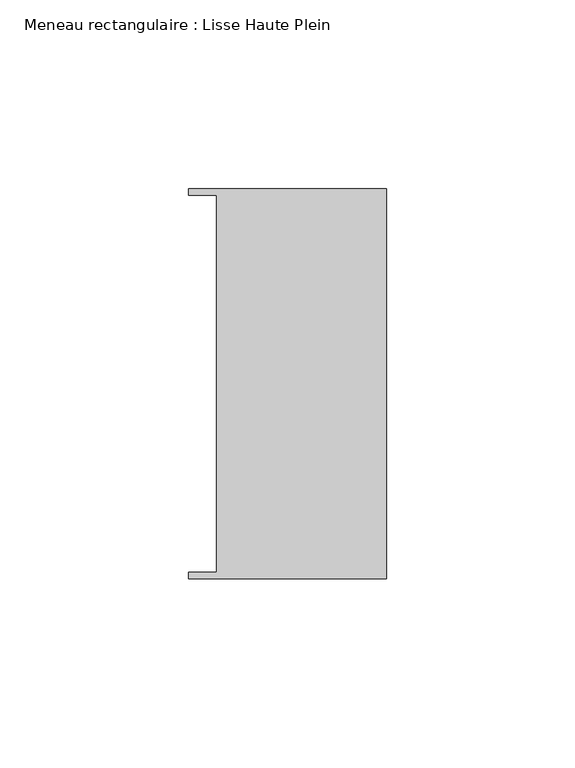
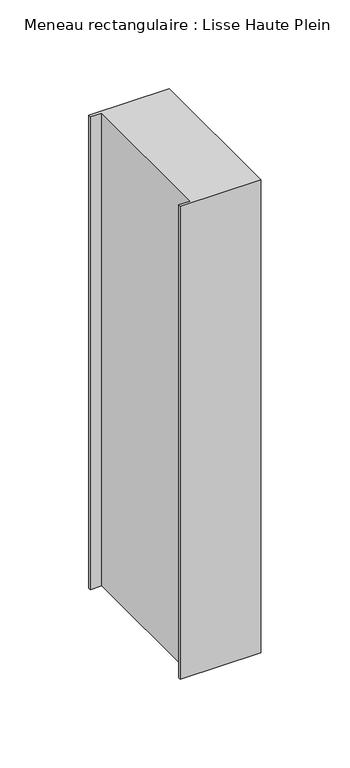
"""IFC4 building model written with IfcOpenShell, lengths in millimetres: member geometry, Meneau rectangulaire : Lisse Haute Plein."""

import ifcopenshell
import ifcopenshell.guid

model = None  # the IFC model being written
_history = None  # IfcOwnerHistory: only IFC2X3 demands one
_inside = {}  # id of a spatial element -> (the spatial element, [elements in it])
_under = {}  # id of a project, library or spatial element -> (it, [spatial elements below it])
_declared = {}  # id of a project -> (the project, [libraries it declares])
_typed = {}  # id of a type object -> (the type object, [elements of that type])
_made_of = {}  # id of a material, layer set ... -> (it, [elements and type objects made of it])


def new_model(schema):
    """Start an empty IFC model of exactly this schema.

    Asked for "IFC4X3", IfcOpenShell would pick the latest addendum, in which some entities
    have other attributes; the version numbers below select the first issue.
    IFC2X3 requires an IfcOwnerHistory on every rooted entity: one is made here for all.
    """
    global model, _history
    if schema == "IFC4X3":
        model = ifcopenshell.file(schema_version=(4, 3, 0, 0))
    else:
        model = ifcopenshell.file(schema=schema)
    _inside.clear()
    _under.clear()
    _declared.clear()
    _typed.clear()
    _made_of.clear()
    _history = None
    if model.schema == "IFC2X3":
        org = make("IfcOrganization", Name="unknown")
        user = make(
            "IfcPersonAndOrganization",
            ThePerson=make("IfcPerson", FamilyName="unknown"),
            TheOrganization=org,
        )
        app = make(
            "IfcApplication",
            ApplicationDeveloper=org,
            Version="unknown",
            ApplicationFullName="unknown",
            ApplicationIdentifier="unknown",
        )
        _history = make(
            "IfcOwnerHistory",
            OwningUser=user,
            OwningApplication=app,
            ChangeAction="ADDED",
            CreationDate=0,
        )
    return model


def make(cls, **values):
    """One entity of the class cls with the attributes given. An attribute that is None is left unset."""
    return model.create_entity(
        cls, **{name: value for name, value in values.items() if value is not None}
    )


def rooted(cls, **values):
    """An entity with a GlobalId (a new one), such as an element, a storey or a relation."""
    return make(cls, GlobalId=ifcopenshell.guid.new(), OwnerHistory=_history, **values)


def si_unit(unit_type, name, prefix=None):
    """IfcSIUnit, for example si_unit("LENGTHUNIT", "METRE", prefix="MILLI")."""
    return make("IfcSIUnit", UnitType=unit_type, Prefix=prefix, Name=name)


def assignment(units):
    """IfcUnitAssignment: the units of a project."""
    return None if units is None else make("IfcUnitAssignment", Units=units)


def point(xyz):
    """IfcCartesianPoint."""
    return None if xyz is None else make("IfcCartesianPoint", Coordinates=xyz)


def direction(xyz):
    """IfcDirection."""
    return None if xyz is None else make("IfcDirection", DirectionRatios=xyz)


def frame(location, z_axis=None, x_axis=None):
    """IfcAxis2Placement3D, a coordinate frame: its origin and axes. An axis left out is left unset."""
    return make(
        "IfcAxis2Placement3D",
        Location=point(location),
        Axis=direction(z_axis),
        RefDirection=direction(x_axis),
    )


def origin():
    """The frame at (0, 0, 0) with its axes left unset."""
    return frame((0.0, 0.0, 0.0))


def place(relative_to, where):
    """IfcLocalPlacement: puts the frame where relative to a parent placement (None: the world)."""
    return make(
        "IfcLocalPlacement", PlacementRelTo=relative_to, RelativePlacement=where
    )


def context(
    kind, dimensions, precision=None, world=None, true_north=None, identifier=None
):
    """IfcGeometricRepresentationContext, for example the 3D "Model" context."""
    return make(
        "IfcGeometricRepresentationContext",
        ContextIdentifier=identifier,
        ContextType=kind,
        CoordinateSpaceDimension=dimensions,
        Precision=precision,
        WorldCoordinateSystem=world,
        TrueNorth=true_north,
    )


def project(units=None, contexts=None):
    """IfcProject with its units and contexts."""
    return rooted(
        "IfcProject",
        Name="project",
        RepresentationContexts=contexts,
        UnitsInContext=assignment(units),
    )


def spatial(cls, under=None, at=None, **own):
    """A site, building, storey or space (cls), placed at a placement, below another one or the project."""
    s = rooted(cls, ObjectPlacement=at, **own)
    if under is not None:
        _under.setdefault(under.id(), (under, []))[1].append(s)
    return s


def polyline(points):
    """IfcPolyline through the points."""
    return make("IfcPolyline", Points=[point(p) for p in points])


def outline(outer, holes=None, kind="AREA"):
    """IfcArbitraryClosedProfileDef: a profile drawn as a closed curve; with holes, ...WithVoids."""
    if holes is None:
        return make("IfcArbitraryClosedProfileDef", ProfileType=kind, OuterCurve=outer)
    return make(
        "IfcArbitraryProfileDefWithVoids",
        ProfileType=kind,
        OuterCurve=outer,
        InnerCurves=holes,
    )


def extrude(swept, where, along, depth):
    """IfcExtrudedAreaSolid: the profile swept, set in the frame where, extruded along a direction by depth."""
    return make(
        "IfcExtrudedAreaSolid",
        SweptArea=swept,
        Position=where,
        ExtrudedDirection=direction(along),
        Depth=depth,
    )


def shape(context_of_items, identifier, shape_type, items):
    """IfcShapeRepresentation: the items that make up one representation, for example the "Body"."""
    return make(
        "IfcShapeRepresentation",
        ContextOfItems=context_of_items,
        RepresentationIdentifier=identifier,
        RepresentationType=shape_type,
        Items=items,
    )


def source(mapping_origin, context_of_items, identifier, shape_type, items):
    """IfcRepresentationMap: a shape defined once, which mapped items show again and again."""
    return make(
        "IfcRepresentationMap",
        MappingOrigin=mapping_origin,
        MappedRepresentation=shape(context_of_items, identifier, shape_type, items),
    )


def transform(
    local_origin,
    x_axis=None,
    y_axis=None,
    z_axis=None,
    scale=None,
    scale2=None,
    scale3=None,
    uniform=True,
):
    """IfcCartesianTransformationOperator3D, or its non-uniform kind. x_axis, y_axis, z_axis: its Axis1, 2, 3."""
    if uniform:
        return make(
            "IfcCartesianTransformationOperator3D",
            Axis1=direction(x_axis),
            Axis2=direction(y_axis),
            LocalOrigin=point(local_origin),
            Scale=scale,
            Axis3=direction(z_axis),
        )
    return make(
        "IfcCartesianTransformationOperator3DnonUniform",
        Axis1=direction(x_axis),
        Axis2=direction(y_axis),
        LocalOrigin=point(local_origin),
        Scale=scale,
        Axis3=direction(z_axis),
        Scale2=scale2,
        Scale3=scale3,
    )


def mapped(mapping_source, mapping_target):
    """IfcMappedItem: shows the shape of a source again, moved by a transform."""
    return make(
        "IfcMappedItem", MappingSource=mapping_source, MappingTarget=mapping_target
    )


def made_of(thing, what):
    """Note that an element or type object is made of a material, layer set ...; save() writes the relation."""
    if what is not None:
        _made_of.setdefault(what.id(), (what, []))[1].append(thing)
    return thing


def element(
    cls,
    number,
    at=None,
    inside=None,
    cuts=None,
    type_object=None,
    material=None,
    context=None,
    identifier="Body",
    shape_type=None,
    held_by="IfcProductDefinitionShape",
    body=None,
    shapes=None,
    **own,
):
    """One element of the class cls, such as IfcWall. Its Tag is "e" and its number.

    at: its placement. inside: the storey or other place that contains it. cuts: it is an
    opening in that element (IfcRelVoidsElement). A single representation is given by context,
    identifier, shape_type and body (its items); several are given by shapes. held_by: the class
    of the entity that holds the representations. save() writes the other relations.
    """
    e = rooted(cls, Tag="e%d" % number, ObjectPlacement=at, **own)
    if body is not None:
        shapes = [shape(context, identifier, shape_type, body)]
    if shapes is not None:
        e.Representation = make(held_by, Representations=shapes)
    if inside is not None:
        _inside.setdefault(inside.id(), (inside, []))[1].append(e)
    if cuts is not None:
        rooted(
            "IfcRelVoidsElement", RelatingBuildingElement=cuts, RelatedOpeningElement=e
        )
    if type_object is not None:
        _typed.setdefault(type_object.id(), (type_object, []))[1].append(e)
    return made_of(e, material)


def aggregate(whole, parts):
    """IfcRelAggregates: a whole, such as a stair, and the parts it consists of."""
    return rooted("IfcRelAggregates", RelatingObject=whole, RelatedObjects=parts)


def save(model, path):
    """Write the relations noted so far, then the file.

    IfcRelAggregates (storeys below a building ...), IfcRelContainedInSpatialStructure (elements
    in a storey), IfcRelDefinesByType, IfcRelAssociatesMaterial and IfcRelDeclares: one each for
    every whole, place, type object, material and project.
    """
    for whole, parts in _under.values():
        aggregate(whole, parts)
    for where, things in _inside.values():
        rooted(
            "IfcRelContainedInSpatialStructure",
            RelatedElements=things,
            RelatingStructure=where,
        )
    for kind, things in _typed.values():
        rooted("IfcRelDefinesByType", RelatedObjects=things, RelatingType=kind)
    for what, things in _made_of.values():
        rooted("IfcRelAssociatesMaterial", RelatedObjects=things, RelatingMaterial=what)
    for by, libraries in _declared.values():
        rooted("IfcRelDeclares", RelatingContext=by, RelatedDefinitions=libraries)
    model.write(path)


def meneau_rectangulaire_lisse_haute_plein_2f84c74d(model_context):
    return source(origin(), model_context, "Body", "SweptSolid", [
        extrude(outline(polyline([(-44.9064331, 49.9174073), (-52.3, 49.9174073), (-52.3, 51.585934), (0.0, 51.585934), (0.0, -51.6011428), (-52.3, -51.6011428), (-52.3, -49.9174073), (-44.9064331, -49.9174073), (-44.9064331, 49.9174073)])), frame((0.0, 0.0, -325.1355664), z_axis=(0.0, 0.0, 1.0), x_axis=(1.0, 0.0, 0.0)), (0.0, 0.0, 1.0), 325.1355664),
    ])


if __name__ == "__main__":
    model = new_model("IFC4")
    model_context = context("Model", 3, world=origin())
    ifc_project = project(units=[si_unit("LENGTHUNIT", "METRE", prefix="MILLI")], contexts=[model_context])
    site = spatial("IfcSite", under=ifc_project)
    building = spatial("IfcBuilding", under=site)
    placement = place(None, origin())
    meneau_rectangulaire_lisse_haute_plein_shape = meneau_rectangulaire_lisse_haute_plein_2f84c74d(model_context)
    element("IfcMember", 1, ObjectType="Meneau rectangulaire : Lisse Haute Plein", at=placement, inside=building, context=model_context, shape_type="MappedRepresentation", body=[
        mapped(meneau_rectangulaire_lisse_haute_plein_shape, transform((0.0, 0.0, 0.0), x_axis=(1.0, 0.0, 0.0), y_axis=(0.0, 1.0, 0.0), z_axis=(0.0, 0.0, 1.0))),
    ])
    save(model, "model.ifc")
